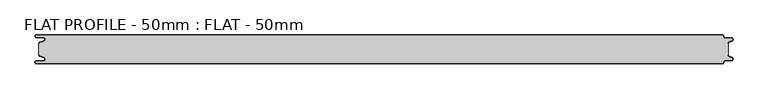
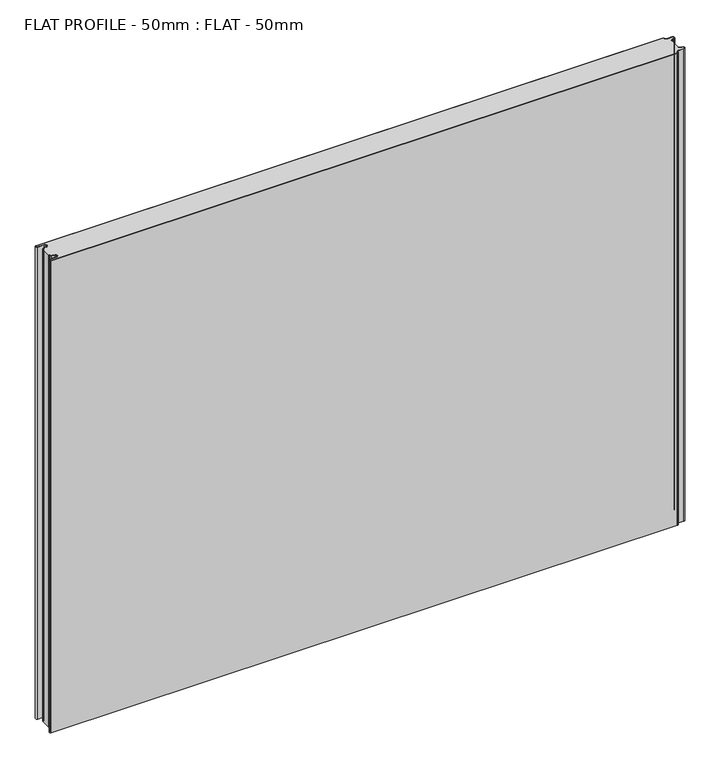
"""IFC4 building model written with IfcOpenShell, lengths in millimetres: proxy geometry, FLAT PROFILE - 50mm : FLAT - 50mm."""

from ifc_helpers import new_model, si_unit, point, frame_2d, origin, origin_with_axes, place, context, project, spatial, polyline, circle_curve, trimmed, segment, composite_curve, outline, extrude, source, transform, mapped, element, save


def flat_profile_50mm_flat_50mm_04e53dee(model_context):
    return source(origin(), model_context, "Body", "SweptSolid", [
        extrude(outline(composite_curve([segment(polyline([(-591.3794419, 11.1128951), (-589.3904999, 11.9138838), (-583.8995097, 13.9124408)]), True, "CONTINUOUS"), segment(trimmed(circle_curve(frame_2d((-585.2882153, 17.3376476)), 3.6960175), [point((-583.8995097, 13.9124408))], [point((-584.9273771, 21.0160088))], True, "CARTESIAN"), True, "CONTINUOUS"), segment(polyline([(-584.9273771, 21.0160088), (-597.3733883, 21.0160088)]), True, "CONTINUOUS"), segment(trimmed(circle_curve(frame_2d((-597.4921978, 22.5112962)), 1.5), [point((-597.3733883, 21.0160088))], [point((-597.3084562, 24.0))], False, "CARTESIAN"), True, "CONTINUOUS"), segment(polyline([(-597.3084562, 24.0), (596.902372, 24.0)]), True, "CONTINUOUS"), segment(trimmed(circle_curve(frame_2d((596.9047345, 22.4926441)), 1.5073578), [point((596.902372, 24.0))], [point((598.4115951, 22.4539319))], False, "CARTESIAN"), True, "CONTINUOUS"), segment(trimmed(circle_curve(frame_2d((601.9112919, 22.5)), 3.5), [point((598.4115951, 22.4539319))], [point((601.9112919, 19.0))], True, "CARTESIAN"), True, "CONTINUOUS"), segment(polyline([(601.9112919, 19.0), (612.3116271, 19.0)]), True, "CONTINUOUS"), segment(trimmed(circle_curve(frame_2d((612.3116271, 16.9)), 2.1), [point((612.3116271, 19.0))], [point((613.0435993, 14.931697))], False, "CARTESIAN"), True, "CONTINUOUS"), segment(polyline([(613.0435993, 14.931697), (610.7828028, 14.1062983), (607.8546835, 12.9154137)]), True, "CONTINUOUS"), segment(trimmed(circle_curve(frame_2d((608.9399875, 10.2468935)), 2.8807786), [point((607.8546835, 12.9154137))], [point((606.0682599, 10.4750721))], True, "CARTESIAN"), True, "CONTINUOUS"), segment(polyline([(606.0682599, 10.4750721), (606.0107004, 9.2522214), (607.0118076, 9.2522214), (607.0118076, -9.2522214), (606.0107004, -9.2522214), (606.0682599, -10.4750721)]), True, "CONTINUOUS"), segment(trimmed(circle_curve(frame_2d((608.9399875, -10.2468935)), 2.8807786), [point((606.0682599, -10.4750721))], [point((607.8546835, -12.9154137))], True, "CARTESIAN"), True, "CONTINUOUS"), segment(polyline([(607.8546835, -12.9154137), (610.7828028, -14.1062983), (613.0435993, -14.931697)]), True, "CONTINUOUS"), segment(trimmed(circle_curve(frame_2d((612.3116271, -16.9)), 2.1), [point((613.0435993, -14.931697))], [point((612.3116271, -19.0))], False, "CARTESIAN"), True, "CONTINUOUS"), segment(polyline([(612.3116271, -19.0), (601.9112919, -19.0)]), True, "CONTINUOUS"), segment(trimmed(circle_curve(frame_2d((601.9112919, -22.5)), 3.5), [point((601.9112919, -19.0))], [point((598.4115951, -22.4539319))], True, "CARTESIAN"), True, "CONTINUOUS"), segment(trimmed(circle_curve(frame_2d((596.9047345, -22.4926441)), 1.5073578), [point((598.4115951, -22.4539319))], [point((596.902372, -24.0))], False, "CARTESIAN"), True, "CONTINUOUS"), segment(polyline([(596.902372, -24.0), (-597.3084562, -24.0)]), True, "CONTINUOUS"), segment(trimmed(circle_curve(frame_2d((-597.4921978, -22.5112962)), 1.5), [point((-597.3084562, -24.0))], [point((-597.3733883, -21.0160088))], False, "CARTESIAN"), True, "CONTINUOUS"), segment(polyline([(-597.3733883, -21.0160088), (-584.9273771, -21.0160088)]), True, "CONTINUOUS"), segment(trimmed(circle_curve(frame_2d((-585.2882153, -17.3376476)), 3.6960175), [point((-584.9273771, -21.0160088))], [point((-583.8995097, -13.9124408))], True, "CARTESIAN"), True, "CONTINUOUS"), segment(polyline([(-583.8995097, -13.9124408), (-589.3904999, -11.9138838), (-591.3794419, -11.1128951)]), True, "CONTINUOUS"), segment(trimmed(circle_curve(frame_2d((-591.0050311, -10.1831925)), 1.0022625), [point((-591.3794419, -11.1128951))], [point((-591.9881924, -10.3779338))], False, "CARTESIAN"), True, "CONTINUOUS"), segment(polyline([(-591.9881924, -10.3779338), (-591.9881924, -9.2522232), (-592.9881924, -9.2522232), (-592.9881924, 9.2522195), (-591.9881924, 9.2522195), (-591.9881924, 10.3779338)]), True, "CONTINUOUS"), segment(trimmed(circle_curve(frame_2d((-591.0050311, 10.1831925)), 1.0022625), [point((-591.9881924, 10.3779338))], [point((-591.3794419, 11.1128951))], False, "CARTESIAN"), True, "CONTINUOUS")], self_intersect=False)), origin_with_axes(), (0.0, 0.0, 1.0), 951.3887038),
        extrude(outline(composite_curve([segment(trimmed(circle_curve(frame_2d((-591.0050311, 10.1831944)), 1.0022625), [point((-591.3794419, 11.1128969))], [point((-591.9881924, 10.3779357))], True, "CARTESIAN"), True, "CONTINUOUS"), segment(polyline([(-591.9881924, 10.3779357), (-591.9881924, 9.2522214), (-592.9881924, 9.2522214), (-592.9881924, 10.4591051)]), True, "CONTINUOUS"), segment(trimmed(circle_curve(frame_2d((-591.0050311, 10.1831944)), 2.0022625), [point((-592.9881924, 10.4591051))], [point((-591.7530074, 12.0405007))], False, "CARTESIAN"), True, "CONTINUOUS"), segment(polyline([(-591.7530074, 12.0405007), (-589.7483949, 12.8478003), (-584.2598383, 14.8454715)]), True, "CONTINUOUS"), segment(trimmed(circle_curve(frame_2d((-585.2882153, 17.3376495)), 2.6960175), [point((-584.2598383, 14.8454715))], [point((-584.9801705, 20.0160107))], True, "CARTESIAN"), True, "CONTINUOUS"), segment(polyline([(-584.9801705, 20.0160107), (-597.3387672, 20.0160107)]), True, "CONTINUOUS"), segment(trimmed(circle_curve(frame_2d((-597.4921978, 22.511298)), 2.5), [point((-597.3387672, 20.0160107))], [point((-597.2548091, 25.0000019))], False, "CARTESIAN"), True, "CONTINUOUS"), segment(polyline([(-597.2548091, 25.0000019), (596.9016875, 25.0000019)]), True, "CONTINUOUS"), segment(trimmed(circle_curve(frame_2d((596.9047345, 22.4926459)), 2.5073578), [point((596.9016875, 25.0000019))], [point((599.4117582, 22.4517176))], False, "CARTESIAN"), True, "CONTINUOUS"), segment(trimmed(circle_curve(frame_2d((601.9112919, 22.5000019)), 2.5), [point((599.4117582, 22.4517176))], [point((601.9112919, 20.0000019))], True, "CARTESIAN"), True, "CONTINUOUS"), segment(polyline([(601.9112919, 20.0000019), (612.3116271, 20.0000019)]), True, "CONTINUOUS"), segment(trimmed(circle_curve(frame_2d((612.3116271, 16.9000019)), 3.1), [point((612.3116271, 20.0000019))], [point((613.3890842, 13.9932707))], False, "CARTESIAN"), True, "CONTINUOUS"), segment(polyline([(613.3890842, 13.9932707), (611.1427659, 13.1731578), (608.2411829, 12.0549269)]), True, "CONTINUOUS"), segment(trimmed(circle_curve(frame_2d((609.0514567, 10.1592666)), 2.0615701), [point((608.2411829, 12.0549269))], [point((607.0118076, 10.4591051))], True, "CARTESIAN"), True, "CONTINUOUS"), segment(polyline([(607.0118076, 10.4591051), (607.0118076, 9.2522232), (606.0107004, 9.2522232), (606.0682599, 10.475074)]), True, "CONTINUOUS"), segment(trimmed(circle_curve(frame_2d((608.9399875, 10.2468953)), 2.8807786), [point((606.0682599, 10.475074))], [point((607.8546835, 12.9154156))], False, "CARTESIAN"), True, "CONTINUOUS"), segment(polyline([(607.8546835, 12.9154156), (610.7828028, 14.1063001), (613.0435993, 14.9316988)]), True, "CONTINUOUS"), segment(trimmed(circle_curve(frame_2d((612.3116271, 16.9000019)), 2.1), [point((613.0435993, 14.9316988))], [point((612.3116271, 19.0000019))], True, "CARTESIAN"), True, "CONTINUOUS"), segment(polyline([(612.3116271, 19.0000019), (601.9112919, 19.0000019)]), True, "CONTINUOUS"), segment(trimmed(circle_curve(frame_2d((601.9112919, 22.5000019)), 3.5), [point((601.9112919, 19.0000019))], [point((598.4115951, 22.4539337))], False, "CARTESIAN"), True, "CONTINUOUS"), segment(trimmed(circle_curve(frame_2d((596.9047345, 22.4926459)), 1.5073578), [point((598.4115951, 22.4539337))], [point((596.902372, 24.0000019))], True, "CARTESIAN"), True, "CONTINUOUS"), segment(polyline([(596.902372, 24.0000019), (-597.3084562, 24.0000019)]), True, "CONTINUOUS"), segment(trimmed(circle_curve(frame_2d((-597.4921978, 22.511298)), 1.5), [point((-597.3084562, 24.0000019))], [point((-597.3733883, 21.0160107))], True, "CARTESIAN"), True, "CONTINUOUS"), segment(polyline([(-597.3733883, 21.0160107), (-584.9273771, 21.0160107)]), True, "CONTINUOUS"), segment(trimmed(circle_curve(frame_2d((-585.2882153, 17.3376495)), 3.6960175), [point((-584.9273771, 21.0160107))], [point((-583.8995097, 13.9124426))], False, "CARTESIAN"), True, "CONTINUOUS"), segment(polyline([(-583.8995097, 13.9124426), (-589.3904999, 11.9138856), (-591.3794419, 11.1128969)]), True, "CONTINUOUS")], self_intersect=False)), origin_with_axes(), (0.0, 0.0, 1.0), 951.3887038),
        extrude(outline(composite_curve([segment(polyline([(-591.3794419, -11.1128932), (-589.3904999, -11.9138819), (-583.8995097, -13.9124389)]), True, "CONTINUOUS"), segment(trimmed(circle_curve(frame_2d((-585.2882153, -17.3376458)), 3.6960175), [point((-583.8995097, -13.9124389))], [point((-584.9273771, -21.016007))], False, "CARTESIAN"), True, "CONTINUOUS"), segment(polyline([(-584.9273771, -21.016007), (-597.3733883, -21.016007)]), True, "CONTINUOUS"), segment(trimmed(circle_curve(frame_2d((-597.4921978, -22.5112943)), 1.5), [point((-597.3733883, -21.016007))], [point((-597.3084562, -23.9999981))], True, "CARTESIAN"), True, "CONTINUOUS"), segment(polyline([(-597.3084562, -23.9999981), (596.902372, -23.9999981)]), True, "CONTINUOUS"), segment(trimmed(circle_curve(frame_2d((596.9047345, -22.4926422)), 1.5073578), [point((596.902372, -23.9999981))], [point((598.4115951, -22.45393))], True, "CARTESIAN"), True, "CONTINUOUS"), segment(trimmed(circle_curve(frame_2d((601.9112919, -22.4999981)), 3.5), [point((598.4115951, -22.45393))], [point((601.9112919, -18.9999981))], False, "CARTESIAN"), True, "CONTINUOUS"), segment(polyline([(601.9112919, -18.9999981), (612.3116271, -18.9999981)]), True, "CONTINUOUS"), segment(trimmed(circle_curve(frame_2d((612.3116271, -16.8999981)), 2.1), [point((612.3116271, -18.9999981))], [point((613.0435993, -14.9316951))], True, "CARTESIAN"), True, "CONTINUOUS"), segment(polyline([(613.0435993, -14.9316951), (610.7828028, -14.1062964), (607.8546835, -12.9154119)]), True, "CONTINUOUS"), segment(trimmed(circle_curve(frame_2d((608.9399875, -10.2468916)), 2.8807786), [point((607.8546835, -12.9154119))], [point((606.0682599, -10.4750703))], False, "CARTESIAN"), True, "CONTINUOUS"), segment(polyline([(606.0682599, -10.4750703), (606.0107004, -9.2522195), (607.0118076, -9.2522195), (607.0118076, -10.4591014)]), True, "CONTINUOUS"), segment(trimmed(circle_curve(frame_2d((609.0514567, -10.1592629)), 2.0615701), [point((607.0118076, -10.4591014))], [point((608.2411829, -12.0549231))], True, "CARTESIAN"), True, "CONTINUOUS"), segment(polyline([(608.2411829, -12.0549231), (611.1427659, -13.1731541), (613.3890842, -13.993267)]), True, "CONTINUOUS"), segment(trimmed(circle_curve(frame_2d((612.3116271, -16.8999981)), 3.1), [point((613.3890842, -13.993267))], [point((612.3116271, -19.9999981))], False, "CARTESIAN"), True, "CONTINUOUS"), segment(polyline([(612.3116271, -19.9999981), (601.9112919, -19.9999981)]), True, "CONTINUOUS"), segment(trimmed(circle_curve(frame_2d((601.9112919, -22.4999981)), 2.5), [point((601.9112919, -19.9999981))], [point((599.4117582, -22.4517139))], True, "CARTESIAN"), True, "CONTINUOUS"), segment(trimmed(circle_curve(frame_2d((596.9047345, -22.4926422)), 2.5073578), [point((599.4117582, -22.4517139))], [point((596.9016875, -24.9999981))], False, "CARTESIAN"), True, "CONTINUOUS"), segment(polyline([(596.9016875, -24.9999981), (-597.2548091, -24.9999981)]), True, "CONTINUOUS"), segment(trimmed(circle_curve(frame_2d((-597.4921978, -22.5112943)), 2.5), [point((-597.2548091, -24.9999981))], [point((-597.3387672, -20.016007))], False, "CARTESIAN"), True, "CONTINUOUS"), segment(polyline([(-597.3387672, -20.016007), (-584.9801705, -20.016007)]), True, "CONTINUOUS"), segment(trimmed(circle_curve(frame_2d((-585.2882153, -17.3376458)), 2.6960175), [point((-584.9801705, -20.016007))], [point((-584.2598383, -14.8454678))], True, "CARTESIAN"), True, "CONTINUOUS"), segment(polyline([(-584.2598383, -14.8454678), (-589.7483949, -12.8477966), (-591.7530074, -12.040497)]), True, "CONTINUOUS"), segment(trimmed(circle_curve(frame_2d((-591.0050311, -10.1831907)), 2.0022625), [point((-591.7530074, -12.040497))], [point((-592.9881924, -10.4591014))], False, "CARTESIAN"), True, "CONTINUOUS"), segment(polyline([(-592.9881924, -10.4591014), (-592.9881924, -9.2522177), (-591.9881924, -9.2522177), (-591.9881924, -10.3779319)]), True, "CONTINUOUS"), segment(trimmed(circle_curve(frame_2d((-591.0050311, -10.1831907)), 1.0022625), [point((-591.9881924, -10.3779319))], [point((-591.3794419, -11.1128932))], True, "CARTESIAN"), True, "CONTINUOUS")], self_intersect=False)), origin_with_axes(), (0.0, 0.0, 1.0), 951.3887038),
    ])


if __name__ == "__main__":
    model = new_model("IFC4")
    model_context = context("Model", 3, world=origin())
    ifc_project = project(units=[si_unit("LENGTHUNIT", "METRE", prefix="MILLI")], contexts=[model_context])
    site = spatial("IfcSite", under=ifc_project)
    building = spatial("IfcBuilding", under=site)
    placement = place(None, origin())
    flat_profile_50mm_flat_50mm_shape = flat_profile_50mm_flat_50mm_04e53dee(model_context)
    element("IfcBuildingElementProxy", 1, Name="FLAT PROFILE - 50mm : FLAT - 50mm", ObjectType="FLAT PROFILE - 50mm : FLAT - 50mm", at=placement, inside=building, context=model_context, shape_type="MappedRepresentation", body=[
        mapped(flat_profile_50mm_flat_50mm_shape, transform((0.0, 0.0, 0.0), x_axis=(1.0, 0.0, 0.0), y_axis=(0.0, 1.0, 0.0), z_axis=(0.0, 0.0, 1.0))),
    ])
    save(model, "model.ifc")
